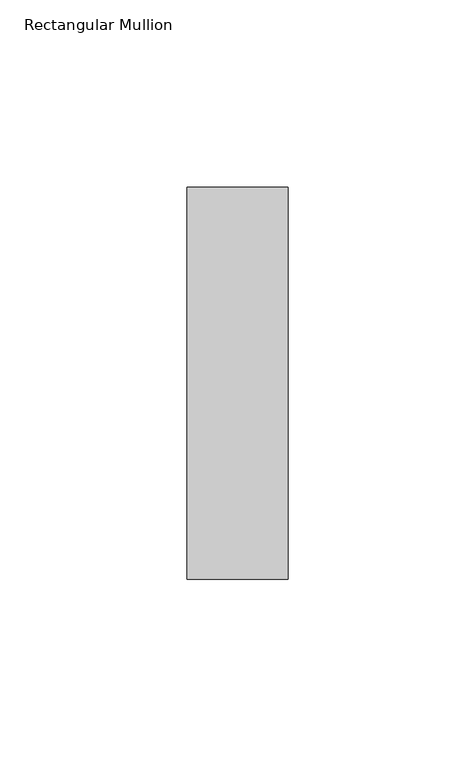
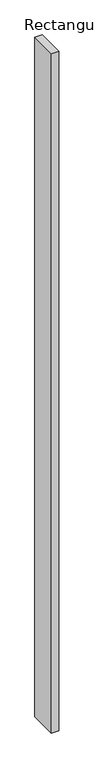
"""IFC4 building model written with IfcOpenShell, lengths in millimetres: member geometry, Rectangular Mullion."""

from ifc_helpers import new_model, si_unit, frame, origin, place, context, project, spatial, polyline, outline, extrude, source, transform, mapped, element, save


def rectangular_mullion_d8de7fc2(model_context):
    return source(origin(), model_context, "Body", "SweptSolid", [
        extrude(outline(polyline([(-27.0, 52.3975), (0.0, 52.3975), (0.0, -52.3975), (-27.0, -52.3975), (-27.0, 52.3975)])), frame((0.0, 0.0, -2646.0), z_axis=(0.0, 0.0, 1.0), x_axis=(1.0, 0.0, 0.0)), (0.0, 0.0, 1.0), 2646.0),
    ])


if __name__ == "__main__":
    model = new_model("IFC4")
    model_context = context("Model", 3, world=origin())
    ifc_project = project(units=[si_unit("LENGTHUNIT", "METRE", prefix="MILLI")], contexts=[model_context])
    site = spatial("IfcSite", under=ifc_project)
    building = spatial("IfcBuilding", under=site)
    placement = place(None, origin())
    rectangular_mullion_shape = rectangular_mullion_d8de7fc2(model_context)
    element("IfcMember", 1, ObjectType="Rectangular Mullion", at=placement, inside=building, context=model_context, shape_type="MappedRepresentation", body=[
        mapped(rectangular_mullion_shape, transform((0.0, 0.0, 0.0), x_axis=(1.0, 0.0, 0.0), y_axis=(0.0, 1.0, 0.0), z_axis=(0.0, 0.0, 1.0))),
    ])
    save(model, "model.ifc")
